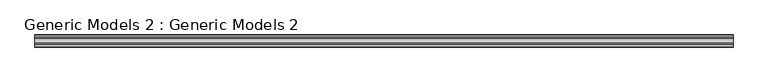
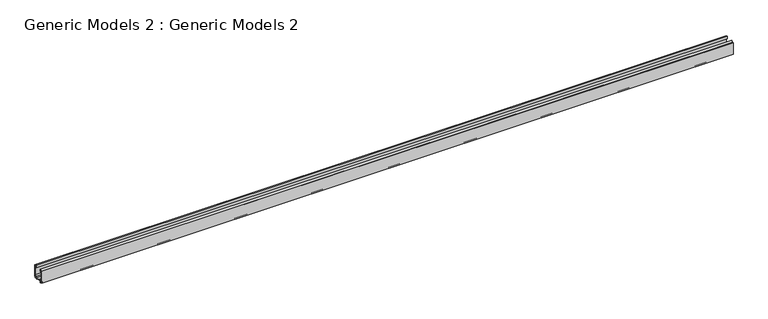
"""IFC4 building model written with IfcOpenShell, lengths in millimetres: proxy geometry, Generic Models 2 : Generic Models 2."""

from ifc_helpers import new_model, si_unit, frame, origin, place, context, project, spatial, polyline, outline, extrude, source, transform, mapped, element, save


def generic_models_2_generic_models_2_82239008(model_context):
    return source(origin(), model_context, "Body", "SweptSolid", [
        extrude(outline(polyline([(-57.2450958, 9.0855634), (-57.1958513, 8.1356945), (-57.9364063, 7.6419912), (-58.949733, 8.3006536), (-60.3576097, 8.3006536), (-60.3576097, 5.9883287), (-63.5, 5.9883287), (-63.5, 70.4962652), (-58.0452848, 70.4962652), (-58.0452848, 67.3538749), (-59.8239963, 67.057423), (-58.0452848, 62.1956116), (-58.0452848, 57.926704), (-60.3576097, 57.926704), (-60.3576097, 13.3996265), (-48.2030812, 13.3996265), (-48.2030812, 12.0274777), (-58.1045752, 10.6129785), (-58.1045752, 9.5621915), (-57.2450958, 9.0855634)])), frame((0.0, 0.0, 0.0), z_axis=(1.0, 0.0, 0.0), x_axis=(0.0, 1.0, 0.0)), (0.0, 0.0, 1.0), 3657.6),
        extrude(outline(polyline([(-61.8875613, 71.732598), (-50.4561158, 74.7809835), (-50.4561158, 63.1753705), (-56.5493952, 57.926704), (-57.7546992, 57.926704), (-57.7546992, 62.4558402), (-59.2967361, 66.670741), (-57.7546992, 66.9277471), (-57.7546992, 70.6939849), (-61.8875613, 70.6939849), (-61.8875613, 71.732598)])), frame((0.0, 0.0, 0.0), z_axis=(1.0, 0.0, 0.0), x_axis=(0.0, 1.0, 0.0)), (0.0, 0.0, 1.0), 3657.6),
        extrude(outline(polyline([(-2.5494865, 58.6381886), (-7.1148459, 58.6381886), (-7.1148459, 60.6837832), (-5.8104575, 61.9880557), (-5.8104575, 60.1797386), (-4.3281979, 60.1797386), (-3.3343776, 61.9010859), (-3.3343776, 64.182505), (-4.2197993, 66.081298), (-5.8104575, 66.081298), (-5.8104575, 64.0480745), (-7.1148459, 64.270775), (-7.1148459, 69.3104575), (0.0, 68.7120125), (0.0, 6.2847806), (-3.557423, 6.2847806), (-3.557423, 0.0), (-5.573296, 0.0), (-5.573296, 6.2847806), (-16.4827264, 6.2847806), (-16.4827264, 0.0), (-18.4985994, 0.0), (-18.4985994, 6.2847806), (-49.56676, 6.2847806), (-49.56676, 0.0), (-51.5826331, 0.0), (-51.5826331, 6.2847806), (-60.1797386, 6.2847806), (-60.1797386, 7.6484594), (-59.3496732, 8.1820728), (-58.4010271, 7.5298786), (-51.5826331, 7.5298786), (-50.2782446, 8.834267), (-46.5429505, 8.834267), (-46.5429505, 14.1704015), (-60.0018674, 14.1704015), (-60.0018674, 15.7119514), (-44.5270775, 15.7119514), (-44.5270775, 8.834267), (-18.6171802, 8.834267), (-18.6171802, 15.7119514), (-2.5494865, 15.7119514), (-2.5494865, 58.6381886)]), holes=[polyline([(-3.1423903, 8.4192344), (-3.1423903, 14.1704015), (-16.4827264, 14.1704015), (-16.4827264, 8.4192344), (-3.1423903, 8.4192344)])]), frame((0.0, 0.0, 0.0), z_axis=(1.0, 0.0, 0.0), x_axis=(0.0, 1.0, 0.0)), (0.0, 0.0, 1.0), 3657.6),
        extrude(outline(polyline([(-10.4561158, 73.2908075), (-0.4974764, 71.0720433), (-0.4974764, 68.9706283), (-7.4216914, 69.5530389), (-7.4216914, 64.1127391), (-5.4980393, 63.7843107), (-5.4980393, 65.8225741), (-4.4736904, 65.8225741), (-3.6336448, 64.0210905), (-3.6336448, 61.940792), (-4.4940931, 60.4504517), (-5.58328, 60.4504517), (-5.58328, 62.7048399), (-7.4216914, 60.8664286), (-7.4216914, 58.6381886), (-10.4561158, 58.6381886), (-10.4561158, 73.2908075)])), frame((0.0, 0.0, 0.0), z_axis=(1.0, 0.0, 0.0), x_axis=(0.0, 1.0, 0.0)), (0.0, 0.0, 1.0), 3657.6),
    ])


if __name__ == "__main__":
    model = new_model("IFC4")
    model_context = context("Model", 3, world=origin())
    ifc_project = project(units=[si_unit("LENGTHUNIT", "METRE", prefix="MILLI")], contexts=[model_context])
    site = spatial("IfcSite", under=ifc_project)
    building = spatial("IfcBuilding", under=site)
    placement = place(None, origin())
    generic_models_2_generic_models_2_shape = generic_models_2_generic_models_2_82239008(model_context)
    element("IfcBuildingElementProxy", 1, Name="Generic Models 2 : Generic Models 2", ObjectType="Generic Models 2 : Generic Models 2", at=placement, inside=building, context=model_context, shape_type="MappedRepresentation", body=[
        mapped(generic_models_2_generic_models_2_shape, transform((0.0, 0.0, 0.0), x_axis=(1.0, 0.0, 0.0), y_axis=(0.0, 1.0, 0.0), z_axis=(0.0, 0.0, 1.0))),
    ])
    save(model, "model.ifc")
